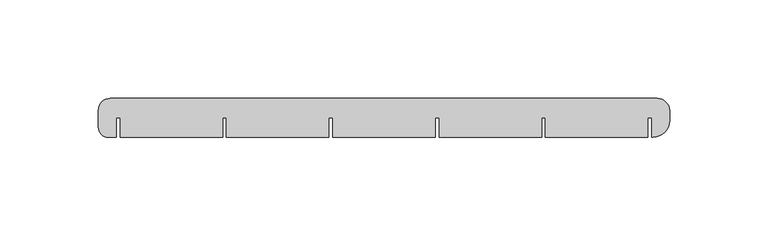
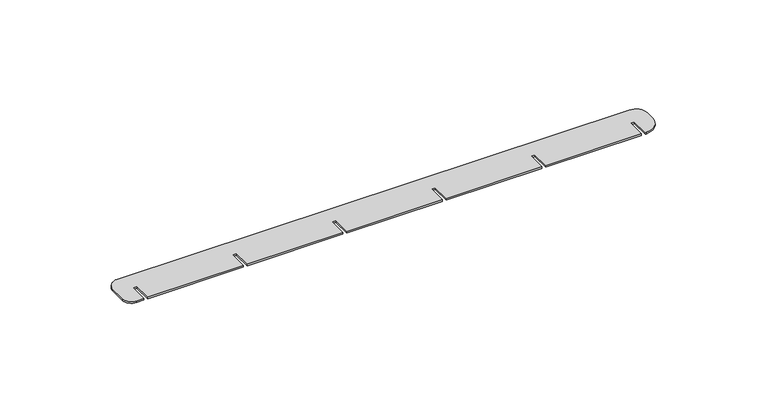
"""IFC4 building model written with IfcOpenShell, lengths in millimetres: proxy geometry."""

from ifc_helpers import new_model, si_unit, point, frame_2d, origin, origin_with_axes, place, context, project, spatial, polyline, circle_curve, trimmed, segment, composite_curve, outline, extrude, source, transform, mapped, element, save


def generic_models_3ebe4299(model_context):
    return source(origin(), model_context, "Body", "SweptSolid", [
        extrude(outline(composite_curve([segment(trimmed(circle_curve(frame_2d((273.8017997, 13.5017997)), 6.1982003), [point((273.8017997, 19.7))], [point((280.0, 13.5017997))], False, "CARTESIAN"), True, "CONTINUOUS"), segment(polyline([(280.0, 13.5017997), (280.0, 8.4)]), True, "CONTINUOUS"), segment(trimmed(circle_curve(frame_2d((271.6, 8.4)), 8.4), [point((280.0, 8.4))], [point((271.6, 0.0))], False, "CARTESIAN"), True, "CONTINUOUS"), segment(polyline([(271.6, 0.0), (271.0, 0.0), (271.0, 10.0), (269.0, 10.0), (269.0, 0.0), (217.0, 0.0), (217.0, 10.0), (215.0, 10.0), (215.0, 0.0), (163.0, 0.0), (163.0, 10.0), (161.0, 10.0), (161.0, 0.0), (109.0, 0.0), (109.0, 10.0), (107.0, 10.0), (107.0, 0.0), (55.0, 0.0), (55.0, 10.0), (53.0, 10.0), (53.0, 0.0), (1.0, 0.0), (1.0, 10.0), (-1.0, 10.0), (-1.0, 0.0), (-5.0, 0.0)]), True, "CONTINUOUS"), segment(trimmed(circle_curve(frame_2d((-5.0, 5.0)), 5.0), [point((-5.0, 0.0))], [point((-10.0, 5.0))], False, "CARTESIAN"), True, "CONTINUOUS"), segment(polyline([(-10.0, 5.0), (-10.0, 13.6656042)]), True, "CONTINUOUS"), segment(trimmed(circle_curve(frame_2d((-3.9656042, 13.6656042)), 6.0343958), [point((-10.0, 13.6656042))], [point((-3.9656042, 19.7))], False, "CARTESIAN"), True, "CONTINUOUS"), segment(polyline([(-3.9656042, 19.7), (273.8017997, 19.7)]), True, "CONTINUOUS")], self_intersect=False)), origin_with_axes(), (0.0, 0.0, 1.0), 1.0),
    ])


if __name__ == "__main__":
    model = new_model("IFC4")
    model_context = context("Model", 3, world=origin())
    ifc_project = project(units=[si_unit("LENGTHUNIT", "METRE", prefix="MILLI")], contexts=[model_context])
    site = spatial("IfcSite", under=ifc_project)
    building = spatial("IfcBuilding", under=site)
    placement = place(None, origin())
    generic_models_shape = generic_models_3ebe4299(model_context)
    element("IfcBuildingElementProxy", 1, Name="Generic Models", at=placement, inside=building, context=model_context, shape_type="MappedRepresentation", body=[
        mapped(generic_models_shape, transform((0.0, 0.0, 0.0), x_axis=(1.0, 0.0, 0.0), y_axis=(0.0, 1.0, 0.0), z_axis=(0.0, 0.0, 1.0))),
    ])
    save(model, "model.ifc")
